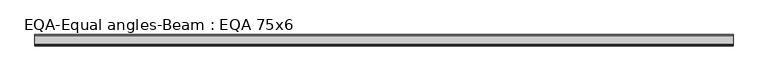
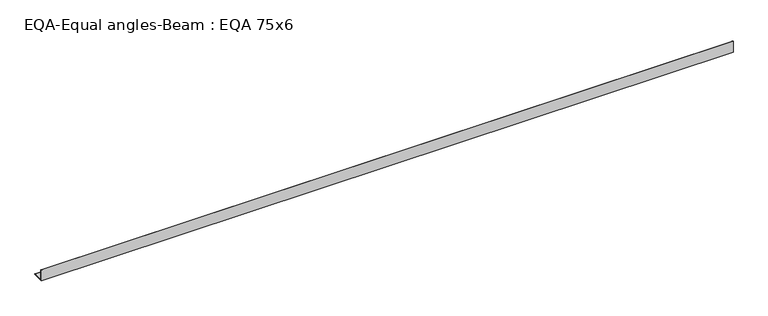
"""IFC4 building model written with IfcOpenShell, lengths in millimetres: beam geometry, EQA-Equal angles-Beam : EQA 75x6."""

import ifcopenshell
import ifcopenshell.guid

model = None  # the IFC model being written
_history = None  # IfcOwnerHistory: only IFC2X3 demands one
_inside = {}  # id of a spatial element -> (the spatial element, [elements in it])
_under = {}  # id of a project, library or spatial element -> (it, [spatial elements below it])
_declared = {}  # id of a project -> (the project, [libraries it declares])
_typed = {}  # id of a type object -> (the type object, [elements of that type])
_made_of = {}  # id of a material, layer set ... -> (it, [elements and type objects made of it])


def new_model(schema):
    """Start an empty IFC model of exactly this schema.

    Asked for "IFC4X3", IfcOpenShell would pick the latest addendum, in which some entities
    have other attributes; the version numbers below select the first issue.
    IFC2X3 requires an IfcOwnerHistory on every rooted entity: one is made here for all.
    """
    global model, _history
    if schema == "IFC4X3":
        model = ifcopenshell.file(schema_version=(4, 3, 0, 0))
    else:
        model = ifcopenshell.file(schema=schema)
    _inside.clear()
    _under.clear()
    _declared.clear()
    _typed.clear()
    _made_of.clear()
    _history = None
    if model.schema == "IFC2X3":
        org = make("IfcOrganization", Name="unknown")
        user = make(
            "IfcPersonAndOrganization",
            ThePerson=make("IfcPerson", FamilyName="unknown"),
            TheOrganization=org,
        )
        app = make(
            "IfcApplication",
            ApplicationDeveloper=org,
            Version="unknown",
            ApplicationFullName="unknown",
            ApplicationIdentifier="unknown",
        )
        _history = make(
            "IfcOwnerHistory",
            OwningUser=user,
            OwningApplication=app,
            ChangeAction="ADDED",
            CreationDate=0,
        )
    return model


def make(cls, **values):
    """One entity of the class cls with the attributes given. An attribute that is None is left unset."""
    return model.create_entity(
        cls, **{name: value for name, value in values.items() if value is not None}
    )


def rooted(cls, **values):
    """An entity with a GlobalId (a new one), such as an element, a storey or a relation."""
    return make(cls, GlobalId=ifcopenshell.guid.new(), OwnerHistory=_history, **values)


def si_unit(unit_type, name, prefix=None):
    """IfcSIUnit, for example si_unit("LENGTHUNIT", "METRE", prefix="MILLI")."""
    return make("IfcSIUnit", UnitType=unit_type, Prefix=prefix, Name=name)


def assignment(units):
    """IfcUnitAssignment: the units of a project."""
    return None if units is None else make("IfcUnitAssignment", Units=units)


def point(xyz):
    """IfcCartesianPoint."""
    return None if xyz is None else make("IfcCartesianPoint", Coordinates=xyz)


def direction(xyz):
    """IfcDirection."""
    return None if xyz is None else make("IfcDirection", DirectionRatios=xyz)


def frame(location, z_axis=None, x_axis=None):
    """IfcAxis2Placement3D, a coordinate frame: its origin and axes. An axis left out is left unset."""
    return make(
        "IfcAxis2Placement3D",
        Location=point(location),
        Axis=direction(z_axis),
        RefDirection=direction(x_axis),
    )


def frame_2d(location, x_axis=None):
    """IfcAxis2Placement2D, a coordinate frame in the plane: its origin and x axis."""
    return make(
        "IfcAxis2Placement2D", Location=point(location), RefDirection=direction(x_axis)
    )


def origin():
    """The frame at (0, 0, 0) with its axes left unset."""
    return frame((0.0, 0.0, 0.0))


def place(relative_to, where):
    """IfcLocalPlacement: puts the frame where relative to a parent placement (None: the world)."""
    return make(
        "IfcLocalPlacement", PlacementRelTo=relative_to, RelativePlacement=where
    )


def context(
    kind, dimensions, precision=None, world=None, true_north=None, identifier=None
):
    """IfcGeometricRepresentationContext, for example the 3D "Model" context."""
    return make(
        "IfcGeometricRepresentationContext",
        ContextIdentifier=identifier,
        ContextType=kind,
        CoordinateSpaceDimension=dimensions,
        Precision=precision,
        WorldCoordinateSystem=world,
        TrueNorth=true_north,
    )


def project(units=None, contexts=None):
    """IfcProject with its units and contexts."""
    return rooted(
        "IfcProject",
        Name="project",
        RepresentationContexts=contexts,
        UnitsInContext=assignment(units),
    )


def spatial(cls, under=None, at=None, **own):
    """A site, building, storey or space (cls), placed at a placement, below another one or the project."""
    s = rooted(cls, ObjectPlacement=at, **own)
    if under is not None:
        _under.setdefault(under.id(), (under, []))[1].append(s)
    return s


def polyline(points):
    """IfcPolyline through the points."""
    return make("IfcPolyline", Points=[point(p) for p in points])


def circle_curve(where, radius):
    """IfcCircle in the frame where."""
    return make("IfcCircle", Position=where, Radius=radius)


def trimmed(basis, trim1, trim2, sense, master):
    """IfcTrimmedCurve: the piece of a basis curve between two trims."""
    return make(
        "IfcTrimmedCurve",
        BasisCurve=basis,
        Trim1=trim1,
        Trim2=trim2,
        SenseAgreement=sense,
        MasterRepresentation=master,
    )


def segment(curve, same_sense, transition):
    """IfcCompositeCurveSegment."""
    return make(
        "IfcCompositeCurveSegment",
        Transition=transition,
        SameSense=same_sense,
        ParentCurve=curve,
    )


def composite_curve(segments, self_intersect=None):
    """IfcCompositeCurve: segments joined end to end."""
    return make("IfcCompositeCurve", Segments=segments, SelfIntersect=self_intersect)


def outline(outer, holes=None, kind="AREA"):
    """IfcArbitraryClosedProfileDef: a profile drawn as a closed curve; with holes, ...WithVoids."""
    if holes is None:
        return make("IfcArbitraryClosedProfileDef", ProfileType=kind, OuterCurve=outer)
    return make(
        "IfcArbitraryProfileDefWithVoids",
        ProfileType=kind,
        OuterCurve=outer,
        InnerCurves=holes,
    )


def extrude(swept, where, along, depth):
    """IfcExtrudedAreaSolid: the profile swept, set in the frame where, extruded along a direction by depth."""
    return make(
        "IfcExtrudedAreaSolid",
        SweptArea=swept,
        Position=where,
        ExtrudedDirection=direction(along),
        Depth=depth,
    )


def shape(context_of_items, identifier, shape_type, items):
    """IfcShapeRepresentation: the items that make up one representation, for example the "Body"."""
    return make(
        "IfcShapeRepresentation",
        ContextOfItems=context_of_items,
        RepresentationIdentifier=identifier,
        RepresentationType=shape_type,
        Items=items,
    )


def source(mapping_origin, context_of_items, identifier, shape_type, items):
    """IfcRepresentationMap: a shape defined once, which mapped items show again and again."""
    return make(
        "IfcRepresentationMap",
        MappingOrigin=mapping_origin,
        MappedRepresentation=shape(context_of_items, identifier, shape_type, items),
    )


def transform(
    local_origin,
    x_axis=None,
    y_axis=None,
    z_axis=None,
    scale=None,
    scale2=None,
    scale3=None,
    uniform=True,
):
    """IfcCartesianTransformationOperator3D, or its non-uniform kind. x_axis, y_axis, z_axis: its Axis1, 2, 3."""
    if uniform:
        return make(
            "IfcCartesianTransformationOperator3D",
            Axis1=direction(x_axis),
            Axis2=direction(y_axis),
            LocalOrigin=point(local_origin),
            Scale=scale,
            Axis3=direction(z_axis),
        )
    return make(
        "IfcCartesianTransformationOperator3DnonUniform",
        Axis1=direction(x_axis),
        Axis2=direction(y_axis),
        LocalOrigin=point(local_origin),
        Scale=scale,
        Axis3=direction(z_axis),
        Scale2=scale2,
        Scale3=scale3,
    )


def mapped(mapping_source, mapping_target):
    """IfcMappedItem: shows the shape of a source again, moved by a transform."""
    return make(
        "IfcMappedItem", MappingSource=mapping_source, MappingTarget=mapping_target
    )


def made_of(thing, what):
    """Note that an element or type object is made of a material, layer set ...; save() writes the relation."""
    if what is not None:
        _made_of.setdefault(what.id(), (what, []))[1].append(thing)
    return thing


def element(
    cls,
    number,
    at=None,
    inside=None,
    cuts=None,
    type_object=None,
    material=None,
    context=None,
    identifier="Body",
    shape_type=None,
    held_by="IfcProductDefinitionShape",
    body=None,
    shapes=None,
    **own,
):
    """One element of the class cls, such as IfcWall. Its Tag is "e" and its number.

    at: its placement. inside: the storey or other place that contains it. cuts: it is an
    opening in that element (IfcRelVoidsElement). A single representation is given by context,
    identifier, shape_type and body (its items); several are given by shapes. held_by: the class
    of the entity that holds the representations. save() writes the other relations.
    """
    e = rooted(cls, Tag="e%d" % number, ObjectPlacement=at, **own)
    if body is not None:
        shapes = [shape(context, identifier, shape_type, body)]
    if shapes is not None:
        e.Representation = make(held_by, Representations=shapes)
    if inside is not None:
        _inside.setdefault(inside.id(), (inside, []))[1].append(e)
    if cuts is not None:
        rooted(
            "IfcRelVoidsElement", RelatingBuildingElement=cuts, RelatedOpeningElement=e
        )
    if type_object is not None:
        _typed.setdefault(type_object.id(), (type_object, []))[1].append(e)
    return made_of(e, material)


def aggregate(whole, parts):
    """IfcRelAggregates: a whole, such as a stair, and the parts it consists of."""
    return rooted("IfcRelAggregates", RelatingObject=whole, RelatedObjects=parts)


def save(model, path):
    """Write the relations noted so far, then the file.

    IfcRelAggregates (storeys below a building ...), IfcRelContainedInSpatialStructure (elements
    in a storey), IfcRelDefinesByType, IfcRelAssociatesMaterial and IfcRelDeclares: one each for
    every whole, place, type object, material and project.
    """
    for whole, parts in _under.values():
        aggregate(whole, parts)
    for where, things in _inside.values():
        rooted(
            "IfcRelContainedInSpatialStructure",
            RelatedElements=things,
            RelatingStructure=where,
        )
    for kind, things in _typed.values():
        rooted("IfcRelDefinesByType", RelatedObjects=things, RelatingType=kind)
    for what, things in _made_of.values():
        rooted("IfcRelAssociatesMaterial", RelatedObjects=things, RelatingMaterial=what)
    for by, libraries in _declared.values():
        rooted("IfcRelDeclares", RelatingContext=by, RelatedDefinitions=libraries)
    model.write(path)


def eqa_equal_angles_beam_eqa_75x6_a2767653(model_context):
    return source(origin(), model_context, "Body", "SweptSolid", [
        extrude(outline(composite_curve([segment(polyline([(-20.5, -20.5), (-20.5, 54.5), (-19.0, 54.5)]), True, "CONTINUOUS"), segment(trimmed(circle_curve(frame_2d((-19.0, 50.0)), 4.5), [point((-19.0, 54.5))], [point((-14.5, 50.0))], False, "CARTESIAN"), True, "CONTINUOUS"), segment(polyline([(-14.5, 50.0), (-14.5, -5.5)]), True, "CONTINUOUS"), segment(trimmed(circle_curve(frame_2d((-5.5, -5.5)), 9.0), [point((-14.5, -5.5))], [point((-5.5, -14.5))], True, "CARTESIAN"), True, "CONTINUOUS"), segment(polyline([(-5.5, -14.5), (50.0, -14.5)]), True, "CONTINUOUS"), segment(trimmed(circle_curve(frame_2d((50.0, -19.0)), 4.5), [point((50.0, -14.5))], [point((54.5, -19.0))], False, "CARTESIAN"), True, "CONTINUOUS"), segment(polyline([(54.5, -19.0), (54.5, -20.5), (-20.5, -20.5)]), True, "CONTINUOUS")], self_intersect=False)), frame((-2284.3366564, 0.0, 0.0), z_axis=(1.0, 0.0, 0.0), x_axis=(0.0, 1.0, 0.0)), (0.0, 0.0, 1.0), 4545.1241578),
    ])


if __name__ == "__main__":
    model = new_model("IFC4")
    model_context = context("Model", 3, world=origin())
    ifc_project = project(units=[si_unit("LENGTHUNIT", "METRE", prefix="MILLI")], contexts=[model_context])
    site = spatial("IfcSite", under=ifc_project)
    building = spatial("IfcBuilding", under=site)
    placement = place(None, origin())
    eqa_equal_angles_beam_eqa_75x6_shape = eqa_equal_angles_beam_eqa_75x6_a2767653(model_context)
    element("IfcBeam", 1, ObjectType="EQA-Equal angles-Beam : EQA 75x6", at=placement, inside=building, context=model_context, shape_type="MappedRepresentation", body=[
        mapped(eqa_equal_angles_beam_eqa_75x6_shape, transform((0.0, 0.0, 0.0), x_axis=(1.0, 0.0, 0.0), y_axis=(0.0, 1.0, 0.0), z_axis=(0.0, 0.0, 1.0))),
    ])
    save(model, "model.ifc")
